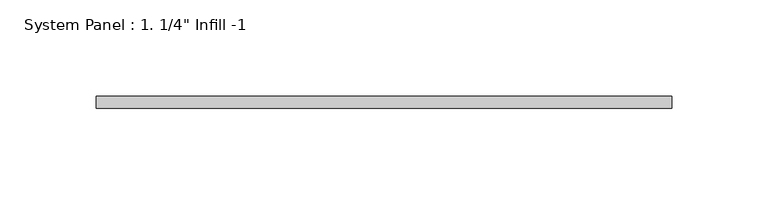
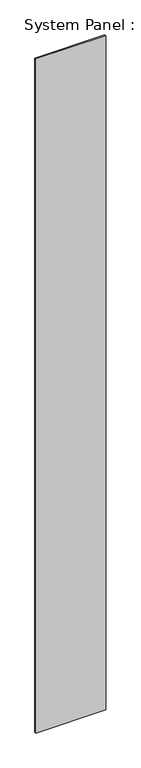
"""IFC4 building model written with IfcOpenShell, lengths in millimetres: plate geometry."""

from ifc_helpers import new_model, si_unit, origin, origin_with_axes, place, context, project, spatial, polyline, outline, extrude, source, transform, mapped, element, save


def plate_faef2a84(model_context):
    return source(origin(), model_context, "Body", "SweptSolid", [
        extrude(outline(polyline([(149.6860605, -25.4), (-149.6860605, -25.4), (-149.6860605, -19.05), (149.6860605, -19.05), (149.6860605, -25.4)])), origin_with_axes(), (0.0, 0.0, 1.0), 3048.0),
    ])


if __name__ == "__main__":
    model = new_model("IFC4")
    model_context = context("Model", 3, world=origin())
    ifc_project = project(units=[si_unit("LENGTHUNIT", "METRE", prefix="MILLI")], contexts=[model_context])
    site = spatial("IfcSite", under=ifc_project)
    building = spatial("IfcBuilding", under=site)
    placement = place(None, origin())
    plate_shape = plate_faef2a84(model_context)
    element("IfcPlate", 1, ObjectType="System Panel : 1. 1/4\" Infill -1", at=placement, inside=building, context=model_context, shape_type="MappedRepresentation", body=[
        mapped(plate_shape, transform((0.0, 0.0, 0.0), x_axis=(1.0, 0.0, 0.0), y_axis=(0.0, 1.0, 0.0), z_axis=(0.0, 0.0, 1.0))),
    ])
    save(model, "model.ifc")
